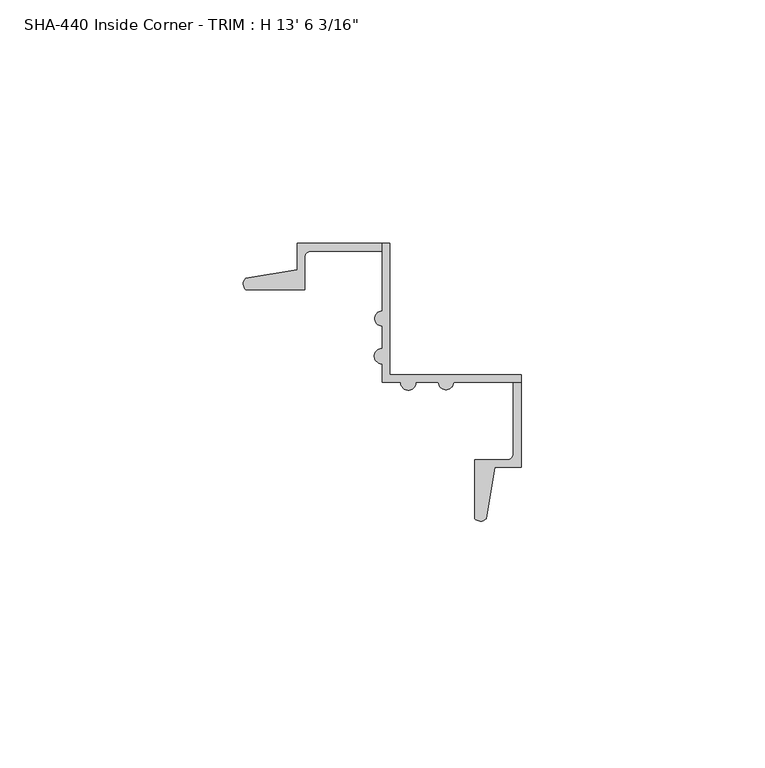
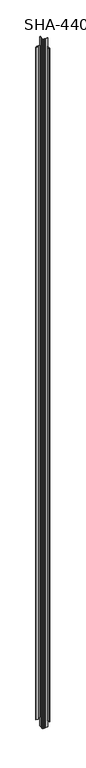
"""IFC4 building model written with IfcOpenShell, lengths in millimetres: proxy geometry."""

from ifc_helpers import new_model, si_unit, frame, origin, place, context, project, spatial, polyline, circle_curve, source, transform, mapped, element, save
from ifc_brep_helpers import plane_surface, cylinder_surface, revolved_surface, advanced_brep


def proxy_3717527d(model_context):
    return source(origin(), model_context, "Body", "AdvancedBrep", [
        advanced_brep(
        [(-4.4927251, 10.2176551, 4119.5625), (-4.4927251, 7.0680551, 4119.5625), (-4.4927251, 2.4833551, 4119.5625), (-4.4927251, -0.6662449, 4119.5625), (-4.4927251, -4.4889449, 4119.5625), (-0.6700251, -4.4889449, 4119.5625), (2.4795749, -4.4889449, 4119.5625), (7.0642749, -4.4889449, 4119.5625), (10.2138749, -4.4889449, 4119.5625), (24.0822749, -4.4889449, 4119.5625), (24.0822749, -2.9141449, 4119.5625), (-2.9179251, -2.9141449, 4119.5625), (-2.9179251, 24.0860551, 4119.5625), (-4.4927251, 24.0860551, 4119.5625), (-2.9179251, 24.0860551, 0.0), (-2.9179251, -2.9141449, 0.0), (24.0822749, -2.9141449, 0.0), (24.0822749, -4.4889449, 0.0), (10.2138749, -4.4889449, 0.0), (7.0642749, -4.4889449, 0.0), (2.4795749, -4.4889449, 0.0), (-0.6700251, -4.4889449, 0.0), (-4.4927251, -4.4889449, 0.0), (-4.4927251, -0.6662449, 0.0), (-4.4927251, 2.4833551, 0.0), (-4.4927251, 7.0680551, 0.0), (-4.4927251, 10.2176551, 0.0), (-4.4927251, 24.0860551, 0.0), (-4.4927251, 22.5112551, 4068.7625), (-4.4927251, 24.0860551, 4068.7625), (-21.9425251, 24.0860551, 4068.7625), (-21.9425251, 18.6933982, 4068.7625), (-32.518612, 16.8824244, 4068.7625), (-32.4525282, 14.5610551, 4068.7625), (-20.3677251, 14.5610551, 4068.7625), (-20.3677251, 21.2412551, 4068.7625), (-19.0977251, 22.5112551, 4068.7625), (-4.4927251, 24.0860551, 50.8), (-4.4927251, 22.5112551, 50.8), (-19.0977251, 22.5112551, 50.8), (-20.3677251, 21.2412551, 50.8), (-20.3677251, 14.5610551, 50.8), (-32.4525282, 14.5610551, 50.8), (-32.518612, 16.8824244, 50.8), (-21.9425251, 18.6933982, 50.8), (-21.9425251, 24.0860551, 50.8), (24.0822749, -4.4889449, 4068.7625), (22.5074749, -4.4889449, 4068.7625), (22.5074749, -19.0939449, 4068.7625), (21.2374749, -20.3639449, 4068.7625), (14.5572749, -20.3639449, 4068.7625), (14.5572749, -32.448748, 4068.7625), (16.8786442, -32.5148318, 4068.7625), (18.689618, -21.9387449, 4068.7625), (24.0822749, -21.9387449, 4068.7625), (22.5074749, -4.4889449, 50.8), (24.0822749, -4.4889449, 50.8), (24.0822749, -21.9387449, 50.8), (18.689618, -21.9387449, 50.8), (16.8786442, -32.5148318, 50.8), (14.5572749, -32.448748, 50.8), (14.5572749, -20.3639449, 50.8), (21.2374749, -20.3639449, 50.8), (22.5074749, -19.0939449, 50.8)],
        [
            (0, 1, circle_curve(frame((-4.4017397, 8.6428551, 4119.5625), z_axis=(0.0, 0.0, 1.0), x_axis=(1.0, 0.0, 0.0)), 1.5774262)),
            (1, 2),
            (2, 3, circle_curve(frame((-4.4927251, 0.9085551, 4119.5625), z_axis=(0.0, 0.0, 1.0), x_axis=(1.0, 0.0, 0.0)), 1.5748)),
            (3, 4),
            (4, 5),
            (5, 6, circle_curve(frame((0.9047749, -4.4889449, 4119.5625), z_axis=(0.0, 0.0, 1.0), x_axis=(1.0, 0.0, 0.0)), 1.5748)),
            (6, 7),
            (7, 8, circle_curve(frame((8.6390749, -4.3979594, 4119.5625), z_axis=(0.0, 0.0, 1.0), x_axis=(1.0, 0.0, 0.0)), 1.5774262)),
            (8, 9),
            (9, 10),
            (10, 11),
            (11, 12),
            (12, 13),
            (13, 0),
            (14, 15),
            (15, 16),
            (16, 17),
            (17, 18),
            (18, 19, circle_curve(frame((8.6390749, -4.3979594, 0.0), z_axis=(0.0, 0.0, -1.0), x_axis=(1.0, 0.0, 0.0)), 1.5774262)),
            (19, 20),
            (20, 21, circle_curve(frame((0.9047749, -4.4889449, 0.0), z_axis=(0.0, 0.0, -1.0), x_axis=(1.0, 0.0, 0.0)), 1.5748)),
            (21, 22),
            (22, 23),
            (23, 24, circle_curve(frame((-4.4927251, 0.9085551, 0.0), z_axis=(0.0, 0.0, -1.0), x_axis=(1.0, 0.0, 0.0)), 1.5748)),
            (24, 25),
            (25, 26, circle_curve(frame((-4.4017397, 8.6428551, 0.0), z_axis=(0.0, 0.0, -1.0), x_axis=(1.0, 0.0, 0.0)), 1.5774262)),
            (26, 27),
            (27, 14),
            (28, 29),
            (29, 30),
            (30, 31),
            (31, 32),
            (32, 33, circle_curve(frame((-31.3617705, 15.7537316, 4068.7625), z_axis=(0.0, 0.0, 1.0), x_axis=(1.0, 0.0, 0.0)), 1.6162393)),
            (33, 34),
            (34, 35),
            (35, 36, circle_curve(frame((-19.0977251, 21.2412551, 4068.7625), z_axis=(0.0, 0.0, -1.0), x_axis=(1.0, 0.0, 0.0)), 1.27)),
            (36, 28),
            (37, 38),
            (38, 39),
            (39, 40, circle_curve(frame((-19.0977251, 21.2412551, 50.8), z_axis=(0.0, 0.0, 1.0), x_axis=(1.0, 0.0, 0.0)), 1.27)),
            (40, 41),
            (41, 42),
            (42, 43, circle_curve(frame((-31.3617705, 15.7537316, 50.8), z_axis=(0.0, 0.0, -1.0), x_axis=(1.0, 0.0, 0.0)), 1.6162393)),
            (43, 44),
            (44, 45),
            (45, 37),
            (46, 47),
            (47, 48),
            (48, 49, circle_curve(frame((21.2374749, -19.0939449, 4068.7625), z_axis=(0.0, 0.0, -1.0), x_axis=(1.0, 0.0, 0.0)), 1.27)),
            (49, 50),
            (50, 51),
            (51, 52, circle_curve(frame((15.7499514, -31.3579903, 4068.7625), z_axis=(0.0, 0.0, 1.0), x_axis=(1.0, 0.0, 0.0)), 1.6162393)),
            (52, 53),
            (53, 54),
            (54, 46),
            (55, 56),
            (56, 57),
            (57, 58),
            (58, 59),
            (59, 60, circle_curve(frame((15.7499514, -31.3579903, 50.8), z_axis=(0.0, 0.0, -1.0), x_axis=(1.0, 0.0, 0.0)), 1.6162393)),
            (60, 61),
            (61, 62),
            (62, 63, circle_curve(frame((21.2374749, -19.0939449, 50.8), z_axis=(0.0, 0.0, 1.0), x_axis=(1.0, 0.0, 0.0)), 1.27)),
            (63, 55),
            (33, 42),
            (41, 34),
            (40, 35),
            (39, 36),
            (38, 28),
            (26, 0),
            (13, 29),
            (37, 27),
            (25, 1),
            (24, 2),
            (23, 3),
            (22, 4),
            (21, 5),
            (20, 6),
            (19, 7),
            (18, 8),
            (17, 56),
            (55, 47),
            (46, 9),
            (63, 48),
            (62, 49),
            (61, 50),
            (60, 51),
            (59, 52),
            (58, 53),
            (57, 54),
            (16, 10),
            (15, 11),
            (14, 12),
            (45, 30),
            (44, 31),
            (43, 32),
        ],
        [
            plane_surface(frame((-32.4525282, 14.5610551, 4119.5625), z_axis=(0.0, 0.0, 1.0), x_axis=(1.0, 0.0, 0.0))),
            plane_surface(frame((-32.4525282, 14.5610551, 0.0), z_axis=(0.0, 0.0, -1.0), x_axis=(-1.0, 0.0, 0.0))),
            plane_surface(frame((-33.1278589, 13.6640096, 4068.7625), z_axis=(0.0, 0.0, 1.0), x_axis=(0.0, 1.0, 0.0))),
            plane_surface(frame((-4.4927251, 13.6640096, 50.8), z_axis=(0.0, 0.0, -1.0), x_axis=(0.0, 1.0, 0.0))),
            plane_surface(frame((24.6660062, -33.9972764, 4068.7625), z_axis=(0.0, 0.0, 1.0), x_axis=(-1.0, 0.0, 0.0))),
            plane_surface(frame((24.6660062, -4.4889449, 50.8), z_axis=(0.0, 0.0, -1.0), x_axis=(-1.0, 0.0, 0.0))),
            plane_surface(frame((-32.4525282, 14.5610551, 4119.5625), z_axis=(0.0, -1.0, 0.0), x_axis=(0.0, 0.0, -1.0))),
            plane_surface(frame((-20.3677251, 14.5610551, 4119.5625), z_axis=(1.0, 0.0, 0.0), x_axis=(0.0, 0.0, -1.0))),
            revolved_surface(polyline([(-17.827725100000002, 21.2412551, 50.8), (-17.827725100000002, 21.2412551, 4068.7625)]), (-19.0977251, 21.2412551, 0.0), (0.0, 0.0, -1.0)),
            plane_surface(frame((-19.0977251, 22.5112551, 4119.5625), z_axis=(0.0, -1.0, 0.0), x_axis=(0.0, 0.0, -1.0))),
            plane_surface(frame((-4.4927251, 22.5112551, 4119.5625), z_axis=(-1.0, 0.0, 0.0), x_axis=(0.0, 0.0, -1.0))),
            cylinder_surface(frame((-4.4017397, 8.6428551, 0.0), z_axis=(0.0, 0.0, 1.0), x_axis=(1.0, 0.0, 0.0)), 1.5774262),
            plane_surface(frame((-4.4927251, 7.0680551, 4119.5625), z_axis=(-1.0, 0.0, 0.0), x_axis=(0.0, 0.0, -1.0))),
            cylinder_surface(frame((-4.4927251, 0.9085551, 0.0), z_axis=(0.0, 0.0, 1.0), x_axis=(1.0, 0.0, 0.0)), 1.5748),
            plane_surface(frame((-4.4927251, -0.6662449, 4119.5625), z_axis=(-1.0, 0.0, 0.0), x_axis=(0.0, 0.0, -1.0))),
            plane_surface(frame((-4.4927251, -4.4889449, 4119.5625), z_axis=(0.0, -1.0, 0.0), x_axis=(0.0, 0.0, -1.0))),
            cylinder_surface(frame((0.9047749, -4.4889449, 0.0), z_axis=(0.0, 0.0, 1.0), x_axis=(1.0, 0.0, 0.0)), 1.5748),
            plane_surface(frame((2.4795749, -4.4889449, 4119.5625), z_axis=(0.0, -1.0, 0.0), x_axis=(0.0, 0.0, -1.0))),
            cylinder_surface(frame((8.6390749, -4.3979594, 0.0), z_axis=(0.0, 0.0, 1.0), x_axis=(1.0, 0.0, 0.0)), 1.5774262),
            plane_surface(frame((10.2138749, -4.4889449, 4119.5625), z_axis=(0.0, -1.0, 0.0), x_axis=(0.0, 0.0, -1.0))),
            plane_surface(frame((22.5074749, -4.4889449, 4119.5625), z_axis=(-1.0, 0.0, 0.0), x_axis=(0.0, 0.0, -1.0))),
            revolved_surface(polyline([(22.5074749, -19.0939449, 50.8), (22.5074749, -19.0939449, 4068.7625)]), (21.2374749, -19.0939449, 0.0), (0.0, 0.0, -1.0)),
            plane_surface(frame((21.2374749, -20.3639449, 4119.5625), z_axis=(0.0, 1.0, 0.0), x_axis=(0.0, 0.0, -1.0))),
            plane_surface(frame((14.5572749, -20.3639449, 4119.5625), z_axis=(-1.0, 0.0, 0.0), x_axis=(0.0, 0.0, -1.0))),
            cylinder_surface(frame((15.7499514, -31.3579903, 0.0), z_axis=(0.0, 0.0, 1.0), x_axis=(1.0, 0.0, 0.0)), 1.6162393),
            plane_surface(frame((16.8786442, -32.5148318, 4119.5625), z_axis=(0.9856543593991657, -0.16877643140385568, 0.0), x_axis=(0.0, 0.0, -1.0))),
            plane_surface(frame((18.689618, -21.9387449, 4119.5625), z_axis=(0.0, -1.0, 0.0), x_axis=(0.0, 0.0, -1.0))),
            plane_surface(frame((24.0822749, -21.9387449, 4119.5625), z_axis=(1.0, 0.0, 0.0), x_axis=(0.0, 0.0, -1.0))),
            plane_surface(frame((24.0822749, -2.9141449, 4119.5625), z_axis=(0.0, 1.0, 0.0), x_axis=(0.0, 0.0, -1.0))),
            plane_surface(frame((-2.9179251, -2.9141449, 4119.5625), z_axis=(1.0, 0.0, 0.0), x_axis=(0.0, 0.0, -1.0))),
            plane_surface(frame((-2.9179251, 24.0860551, 4119.5625), z_axis=(0.0, 1.0, 0.0), x_axis=(0.0, 0.0, -1.0))),
            plane_surface(frame((-21.9425251, 24.0860551, 4119.5625), z_axis=(-1.0, 0.0, 0.0), x_axis=(0.0, 0.0, -1.0))),
            plane_surface(frame((-21.9425251, 18.6933982, 4119.5625), z_axis=(-0.1687764314039452, 0.9856543593991504, 0.0), x_axis=(0.0, 0.0, -1.0))),
            cylinder_surface(frame((-31.3617705, 15.7537316, 0.0), z_axis=(0.0, 0.0, 1.0), x_axis=(1.0, 0.0, 0.0)), 1.6162393),
        ],
        [
            (0, [[1, 2, 3, 4, 5, 6, 7, 8, 9, 10, 11, 12, 13, 14]]),
            (1, [[15, 16, 17, 18, 19, 20, 21, 22, 23, 24, 25, 26, 27, 28]]),
            (2, [[29, 30, 31, 32, 33, 34, 35, 36, 37]]),
            (3, [[38, 39, 40, 41, 42, 43, 44, 45, 46]]),
            (4, [[47, 48, 49, 50, 51, 52, 53, 54, 55]]),
            (5, [[56, 57, 58, 59, 60, 61, 62, 63, 64]]),
            (6, [[65, -42, 66, -34]]),
            (7, [[-66, -41, 67, -35]]),
            (8, [[-67, -40, 68, -36]]),
            (9, [[-68, -39, 69, -37]]),
            (10, [[70, -14, 71, -29, -69, -38, 72, -27]]),
            (11, [[-1, -70, -26, 73]]),
            (12, [[-2, -73, -25, 74]]),
            (13, [[-3, -74, -24, 75]]),
            (14, [[-4, -75, -23, 76]]),
            (15, [[-5, -76, -22, 77]]),
            (16, [[-6, -77, -21, 78]]),
            (17, [[-7, -78, -20, 79]]),
            (18, [[-8, -79, -19, 80]]),
            (19, [[-80, -18, 81, -56, 82, -47, 83, -9]]),
            (20, [[-82, -64, 84, -48]]),
            (21, [[-84, -63, 85, -49]]),
            (22, [[-85, -62, 86, -50]]),
            (23, [[-86, -61, 87, -51]]),
            (24, [[-87, -60, 88, -52]]),
            (25, [[-88, -59, 89, -53]]),
            (26, [[-89, -58, 90, -54]]),
            (27, [[91, -10, -83, -55, -90, -57, -81, -17]]),
            (28, [[-11, -91, -16, 92]]),
            (29, [[-12, -92, -15, 93]]),
            (30, [[-93, -28, -72, -46, 94, -30, -71, -13]]),
            (31, [[-94, -45, 95, -31]]),
            (32, [[-95, -44, 96, -32]]),
            (33, [[-65, -33, -96, -43]]),
        ],
    ),
    ])


if __name__ == "__main__":
    model = new_model("IFC4")
    model_context = context("Model", 3, world=origin())
    ifc_project = project(units=[si_unit("LENGTHUNIT", "METRE", prefix="MILLI")], contexts=[model_context])
    site = spatial("IfcSite", under=ifc_project)
    building = spatial("IfcBuilding", under=site)
    placement = place(None, origin())
    proxy_shape = proxy_3717527d(model_context)
    element("IfcBuildingElementProxy", 1, Name="SHA-440 Inside Corner - TRIM : H 13' 6 3/16\"", ObjectType="SHA-440 Inside Corner - TRIM : H 13' 6 3/16\"", at=placement, inside=building, context=model_context, shape_type="MappedRepresentation", body=[
        mapped(proxy_shape, transform((0.0, 0.0, 0.0), x_axis=(1.0, 0.0, 0.0), y_axis=(0.0, 1.0, 0.0), z_axis=(0.0, 0.0, 1.0))),
    ])
    save(model, "model.ifc")
